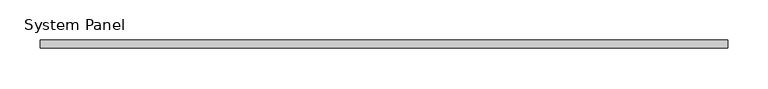
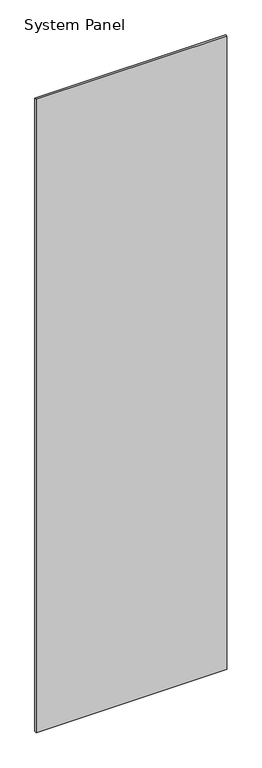
"""IFC4 building model written with IfcOpenShell, lengths in millimetres: plate geometry, System Panel."""

from ifc_helpers import new_model, si_unit, origin, origin_with_axes, place, context, project, spatial, polyline, outline, extrude, source, transform, mapped, element, save


def system_panel_e2e3479c(model_context):
    return source(origin(), model_context, "Body", "SweptSolid", [
        extrude(outline(polyline([(425.6806066, -5.0), (-425.6806066, -5.0), (-425.6806066, 5.0), (425.6806066, 5.0), (425.6806066, -5.0)])), origin_with_axes(), (0.0, 0.0, 1.0), 2991.6097048),
    ])


if __name__ == "__main__":
    model = new_model("IFC4")
    model_context = context("Model", 3, world=origin())
    ifc_project = project(units=[si_unit("LENGTHUNIT", "METRE", prefix="MILLI")], contexts=[model_context])
    site = spatial("IfcSite", under=ifc_project)
    building = spatial("IfcBuilding", under=site)
    placement = place(None, origin())
    system_panel_shape = system_panel_e2e3479c(model_context)
    element("IfcPlate", 1, ObjectType="System Panel", at=placement, inside=building, context=model_context, shape_type="MappedRepresentation", body=[
        mapped(system_panel_shape, transform((0.0, 0.0, 0.0), x_axis=(1.0, 0.0, 0.0), y_axis=(0.0, 1.0, 0.0), z_axis=(0.0, 0.0, 1.0))),
    ])
    save(model, "model.ifc")
